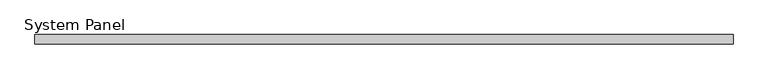
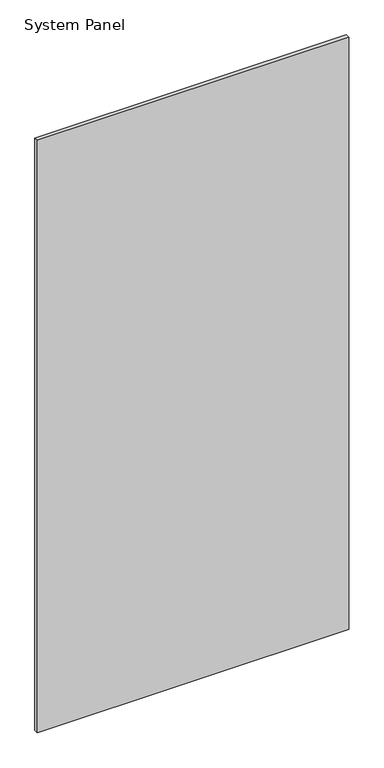
"""IFC4 building model written with IfcOpenShell, lengths in millimetres: plate geometry, System Panel."""

import ifcopenshell
import ifcopenshell.guid

model = None  # the IFC model being written
_history = None  # IfcOwnerHistory: only IFC2X3 demands one
_inside = {}  # id of a spatial element -> (the spatial element, [elements in it])
_under = {}  # id of a project, library or spatial element -> (it, [spatial elements below it])
_declared = {}  # id of a project -> (the project, [libraries it declares])
_typed = {}  # id of a type object -> (the type object, [elements of that type])
_made_of = {}  # id of a material, layer set ... -> (it, [elements and type objects made of it])


def new_model(schema):
    """Start an empty IFC model of exactly this schema.

    Asked for "IFC4X3", IfcOpenShell would pick the latest addendum, in which some entities
    have other attributes; the version numbers below select the first issue.
    IFC2X3 requires an IfcOwnerHistory on every rooted entity: one is made here for all.
    """
    global model, _history
    if schema == "IFC4X3":
        model = ifcopenshell.file(schema_version=(4, 3, 0, 0))
    else:
        model = ifcopenshell.file(schema=schema)
    _inside.clear()
    _under.clear()
    _declared.clear()
    _typed.clear()
    _made_of.clear()
    _history = None
    if model.schema == "IFC2X3":
        org = make("IfcOrganization", Name="unknown")
        user = make(
            "IfcPersonAndOrganization",
            ThePerson=make("IfcPerson", FamilyName="unknown"),
            TheOrganization=org,
        )
        app = make(
            "IfcApplication",
            ApplicationDeveloper=org,
            Version="unknown",
            ApplicationFullName="unknown",
            ApplicationIdentifier="unknown",
        )
        _history = make(
            "IfcOwnerHistory",
            OwningUser=user,
            OwningApplication=app,
            ChangeAction="ADDED",
            CreationDate=0,
        )
    return model


def make(cls, **values):
    """One entity of the class cls with the attributes given. An attribute that is None is left unset."""
    return model.create_entity(
        cls, **{name: value for name, value in values.items() if value is not None}
    )


def rooted(cls, **values):
    """An entity with a GlobalId (a new one), such as an element, a storey or a relation."""
    return make(cls, GlobalId=ifcopenshell.guid.new(), OwnerHistory=_history, **values)


def si_unit(unit_type, name, prefix=None):
    """IfcSIUnit, for example si_unit("LENGTHUNIT", "METRE", prefix="MILLI")."""
    return make("IfcSIUnit", UnitType=unit_type, Prefix=prefix, Name=name)


def assignment(units):
    """IfcUnitAssignment: the units of a project."""
    return None if units is None else make("IfcUnitAssignment", Units=units)


def point(xyz):
    """IfcCartesianPoint."""
    return None if xyz is None else make("IfcCartesianPoint", Coordinates=xyz)


def direction(xyz):
    """IfcDirection."""
    return None if xyz is None else make("IfcDirection", DirectionRatios=xyz)


def frame(location, z_axis=None, x_axis=None):
    """IfcAxis2Placement3D, a coordinate frame: its origin and axes. An axis left out is left unset."""
    return make(
        "IfcAxis2Placement3D",
        Location=point(location),
        Axis=direction(z_axis),
        RefDirection=direction(x_axis),
    )


def origin():
    """The frame at (0, 0, 0) with its axes left unset."""
    return frame((0.0, 0.0, 0.0))


def origin_with_axes():
    """The frame at (0, 0, 0) with the z axis (0, 0, 1) and the x axis (1, 0, 0) written out."""
    return frame((0.0, 0.0, 0.0), z_axis=(0.0, 0.0, 1.0), x_axis=(1.0, 0.0, 0.0))


def place(relative_to, where):
    """IfcLocalPlacement: puts the frame where relative to a parent placement (None: the world)."""
    return make(
        "IfcLocalPlacement", PlacementRelTo=relative_to, RelativePlacement=where
    )


def context(
    kind, dimensions, precision=None, world=None, true_north=None, identifier=None
):
    """IfcGeometricRepresentationContext, for example the 3D "Model" context."""
    return make(
        "IfcGeometricRepresentationContext",
        ContextIdentifier=identifier,
        ContextType=kind,
        CoordinateSpaceDimension=dimensions,
        Precision=precision,
        WorldCoordinateSystem=world,
        TrueNorth=true_north,
    )


def project(units=None, contexts=None):
    """IfcProject with its units and contexts."""
    return rooted(
        "IfcProject",
        Name="project",
        RepresentationContexts=contexts,
        UnitsInContext=assignment(units),
    )


def spatial(cls, under=None, at=None, **own):
    """A site, building, storey or space (cls), placed at a placement, below another one or the project."""
    s = rooted(cls, ObjectPlacement=at, **own)
    if under is not None:
        _under.setdefault(under.id(), (under, []))[1].append(s)
    return s


def polyline(points):
    """IfcPolyline through the points."""
    return make("IfcPolyline", Points=[point(p) for p in points])


def outline(outer, holes=None, kind="AREA"):
    """IfcArbitraryClosedProfileDef: a profile drawn as a closed curve; with holes, ...WithVoids."""
    if holes is None:
        return make("IfcArbitraryClosedProfileDef", ProfileType=kind, OuterCurve=outer)
    return make(
        "IfcArbitraryProfileDefWithVoids",
        ProfileType=kind,
        OuterCurve=outer,
        InnerCurves=holes,
    )


def extrude(swept, where, along, depth):
    """IfcExtrudedAreaSolid: the profile swept, set in the frame where, extruded along a direction by depth."""
    return make(
        "IfcExtrudedAreaSolid",
        SweptArea=swept,
        Position=where,
        ExtrudedDirection=direction(along),
        Depth=depth,
    )


def shape(context_of_items, identifier, shape_type, items):
    """IfcShapeRepresentation: the items that make up one representation, for example the "Body"."""
    return make(
        "IfcShapeRepresentation",
        ContextOfItems=context_of_items,
        RepresentationIdentifier=identifier,
        RepresentationType=shape_type,
        Items=items,
    )


def source(mapping_origin, context_of_items, identifier, shape_type, items):
    """IfcRepresentationMap: a shape defined once, which mapped items show again and again."""
    return make(
        "IfcRepresentationMap",
        MappingOrigin=mapping_origin,
        MappedRepresentation=shape(context_of_items, identifier, shape_type, items),
    )


def transform(
    local_origin,
    x_axis=None,
    y_axis=None,
    z_axis=None,
    scale=None,
    scale2=None,
    scale3=None,
    uniform=True,
):
    """IfcCartesianTransformationOperator3D, or its non-uniform kind. x_axis, y_axis, z_axis: its Axis1, 2, 3."""
    if uniform:
        return make(
            "IfcCartesianTransformationOperator3D",
            Axis1=direction(x_axis),
            Axis2=direction(y_axis),
            LocalOrigin=point(local_origin),
            Scale=scale,
            Axis3=direction(z_axis),
        )
    return make(
        "IfcCartesianTransformationOperator3DnonUniform",
        Axis1=direction(x_axis),
        Axis2=direction(y_axis),
        LocalOrigin=point(local_origin),
        Scale=scale,
        Axis3=direction(z_axis),
        Scale2=scale2,
        Scale3=scale3,
    )


def mapped(mapping_source, mapping_target):
    """IfcMappedItem: shows the shape of a source again, moved by a transform."""
    return make(
        "IfcMappedItem", MappingSource=mapping_source, MappingTarget=mapping_target
    )


def made_of(thing, what):
    """Note that an element or type object is made of a material, layer set ...; save() writes the relation."""
    if what is not None:
        _made_of.setdefault(what.id(), (what, []))[1].append(thing)
    return thing


def element(
    cls,
    number,
    at=None,
    inside=None,
    cuts=None,
    type_object=None,
    material=None,
    context=None,
    identifier="Body",
    shape_type=None,
    held_by="IfcProductDefinitionShape",
    body=None,
    shapes=None,
    **own,
):
    """One element of the class cls, such as IfcWall. Its Tag is "e" and its number.

    at: its placement. inside: the storey or other place that contains it. cuts: it is an
    opening in that element (IfcRelVoidsElement). A single representation is given by context,
    identifier, shape_type and body (its items); several are given by shapes. held_by: the class
    of the entity that holds the representations. save() writes the other relations.
    """
    e = rooted(cls, Tag="e%d" % number, ObjectPlacement=at, **own)
    if body is not None:
        shapes = [shape(context, identifier, shape_type, body)]
    if shapes is not None:
        e.Representation = make(held_by, Representations=shapes)
    if inside is not None:
        _inside.setdefault(inside.id(), (inside, []))[1].append(e)
    if cuts is not None:
        rooted(
            "IfcRelVoidsElement", RelatingBuildingElement=cuts, RelatedOpeningElement=e
        )
    if type_object is not None:
        _typed.setdefault(type_object.id(), (type_object, []))[1].append(e)
    return made_of(e, material)


def aggregate(whole, parts):
    """IfcRelAggregates: a whole, such as a stair, and the parts it consists of."""
    return rooted("IfcRelAggregates", RelatingObject=whole, RelatedObjects=parts)


def save(model, path):
    """Write the relations noted so far, then the file.

    IfcRelAggregates (storeys below a building ...), IfcRelContainedInSpatialStructure (elements
    in a storey), IfcRelDefinesByType, IfcRelAssociatesMaterial and IfcRelDeclares: one each for
    every whole, place, type object, material and project.
    """
    for whole, parts in _under.values():
        aggregate(whole, parts)
    for where, things in _inside.values():
        rooted(
            "IfcRelContainedInSpatialStructure",
            RelatedElements=things,
            RelatingStructure=where,
        )
    for kind, things in _typed.values():
        rooted("IfcRelDefinesByType", RelatedObjects=things, RelatingType=kind)
    for what, things in _made_of.values():
        rooted("IfcRelAssociatesMaterial", RelatedObjects=things, RelatingMaterial=what)
    for by, libraries in _declared.values():
        rooted("IfcRelDeclares", RelatingContext=by, RelatedDefinitions=libraries)
    model.write(path)


def system_panel_088db880(model_context):
    return source(origin(), model_context, "Body", "SweptSolid", [
        extrude(outline(polyline([(592.5, -8.0), (-592.5, -8.0), (-592.5, 8.0), (592.5, 8.0), (592.5, -8.0)])), origin_with_axes(), (0.0, 0.0, 1.0), 2385.0),
    ])


if __name__ == "__main__":
    model = new_model("IFC4")
    model_context = context("Model", 3, world=origin())
    ifc_project = project(units=[si_unit("LENGTHUNIT", "METRE", prefix="MILLI")], contexts=[model_context])
    site = spatial("IfcSite", under=ifc_project)
    building = spatial("IfcBuilding", under=site)
    placement = place(None, origin())
    system_panel_shape = system_panel_088db880(model_context)
    element("IfcPlate", 1, ObjectType="System Panel", at=placement, inside=building, context=model_context, shape_type="MappedRepresentation", body=[
        mapped(system_panel_shape, transform((0.0, 0.0, 0.0), x_axis=(1.0, 0.0, 0.0), y_axis=(0.0, 1.0, 0.0), z_axis=(0.0, 0.0, 1.0))),
    ])
    save(model, "model.ifc")
